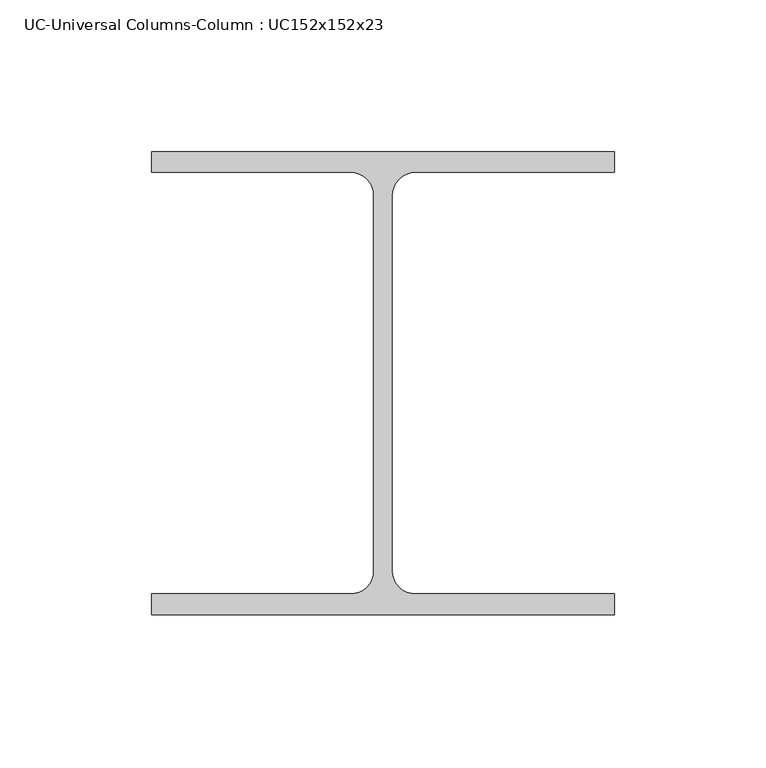
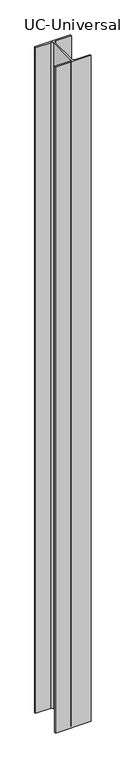
"""IFC4 building model written with IfcOpenShell, lengths in millimetres: column geometry, UC-Universal Columns-Column : UC152x152x23."""

from ifc_helpers import new_model, si_unit, point, frame_2d, origin, origin_with_axes, place, context, project, spatial, polyline, circle_curve, trimmed, segment, composite_curve, outline, extrude, source, transform, mapped, element, save


def uc_universal_columns_column_uc152x152x23_87ac85d2(model_context):
    return source(origin(), model_context, "Body", "SweptSolid", [
        extrude(outline(composite_curve([segment(polyline([(76.2, 76.2), (76.2, 69.4), (10.65, 69.4)]), True, "CONTINUOUS"), segment(trimmed(circle_curve(frame_2d((10.65, 61.8)), 7.6), [point((10.65, 69.4))], [point((3.05, 61.8))], True, "CARTESIAN"), True, "CONTINUOUS"), segment(polyline([(3.05, 61.8), (3.05, -61.8)]), True, "CONTINUOUS"), segment(trimmed(circle_curve(frame_2d((10.65, -61.8)), 7.6), [point((3.05, -61.8))], [point((10.65, -69.4))], True, "CARTESIAN"), True, "CONTINUOUS"), segment(polyline([(10.65, -69.4), (76.2, -69.4), (76.2, -76.2), (-76.2, -76.2), (-76.2, -69.4), (-10.65, -69.4)]), True, "CONTINUOUS"), segment(trimmed(circle_curve(frame_2d((-10.65, -61.8)), 7.6), [point((-10.65, -69.4))], [point((-3.05, -61.8))], True, "CARTESIAN"), True, "CONTINUOUS"), segment(polyline([(-3.05, -61.8), (-3.05, 61.8)]), True, "CONTINUOUS"), segment(trimmed(circle_curve(frame_2d((-10.65, 61.8)), 7.6), [point((-3.05, 61.8))], [point((-10.65, 69.4))], True, "CARTESIAN"), True, "CONTINUOUS"), segment(polyline([(-10.65, 69.4), (-76.2, 69.4), (-76.2, 76.2), (76.2, 76.2)]), True, "CONTINUOUS")], self_intersect=False)), origin_with_axes(), (0.0, 0.0, 1.0), 3000.0),
    ])


if __name__ == "__main__":
    model = new_model("IFC4")
    model_context = context("Model", 3, world=origin())
    ifc_project = project(units=[si_unit("LENGTHUNIT", "METRE", prefix="MILLI")], contexts=[model_context])
    site = spatial("IfcSite", under=ifc_project)
    building = spatial("IfcBuilding", under=site)
    placement = place(None, origin())
    uc_universal_columns_column_uc152x152x23_shape = uc_universal_columns_column_uc152x152x23_87ac85d2(model_context)
    element("IfcColumn", 1, ObjectType="UC-Universal Columns-Column : UC152x152x23", at=placement, inside=building, context=model_context, shape_type="MappedRepresentation", body=[
        mapped(uc_universal_columns_column_uc152x152x23_shape, transform((0.0, 0.0, 0.0), x_axis=(1.0, 0.0, 0.0), y_axis=(0.0, 1.0, 0.0), z_axis=(0.0, 0.0, 1.0))),
    ])
    save(model, "model.ifc")
